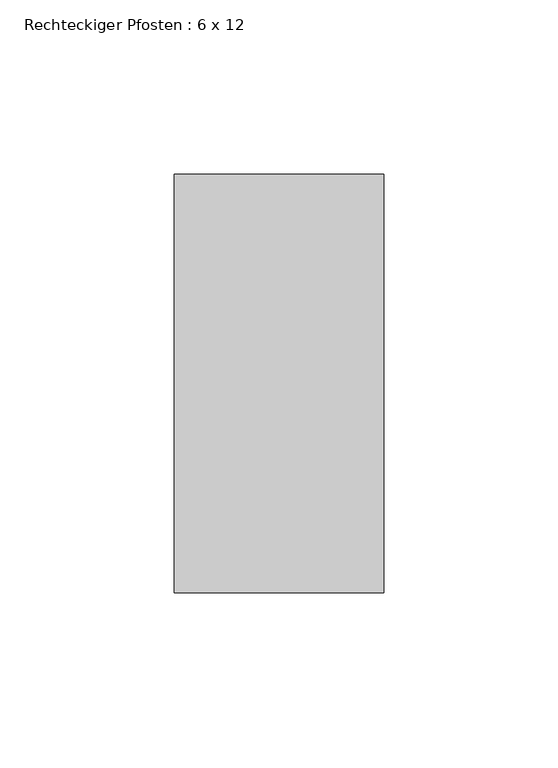
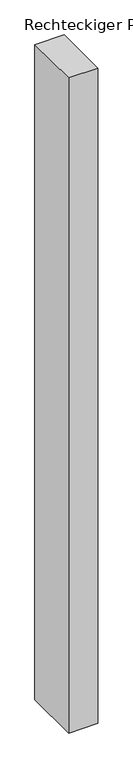
"""IFC4 building model written with IfcOpenShell, lengths in millimetres: member geometry, Rechteckiger Pfosten : 6 x 12."""

from ifc_helpers import new_model, si_unit, frame, origin, place, context, project, spatial, polyline, outline, extrude, source, transform, mapped, element, save


def rechteckiger_pfosten_6_x_12_fd41d232(model_context):
    return source(origin(), model_context, "Body", "SweptSolid", [
        extrude(outline(polyline([(0.0, 60.0), (0.0, -60.0), (-60.0, -60.0), (-60.0, 60.0), (0.0, 60.0)])), frame((0.0, 0.0, -1425.625), z_axis=(0.0, 0.0, 1.0), x_axis=(1.0, 0.0, 0.0)), (0.0, 0.0, 1.0), 1425.625),
    ])


if __name__ == "__main__":
    model = new_model("IFC4")
    model_context = context("Model", 3, world=origin())
    ifc_project = project(units=[si_unit("LENGTHUNIT", "METRE", prefix="MILLI")], contexts=[model_context])
    site = spatial("IfcSite", under=ifc_project)
    building = spatial("IfcBuilding", under=site)
    placement = place(None, origin())
    rechteckiger_pfosten_6_x_12_shape = rechteckiger_pfosten_6_x_12_fd41d232(model_context)
    element("IfcMember", 1, ObjectType="Rechteckiger Pfosten : 6 x 12", at=placement, inside=building, context=model_context, shape_type="MappedRepresentation", body=[
        mapped(rechteckiger_pfosten_6_x_12_shape, transform((0.0, 0.0, 0.0), x_axis=(1.0, 0.0, 0.0), y_axis=(0.0, 1.0, 0.0), z_axis=(0.0, 0.0, 1.0))),
    ])
    save(model, "model.ifc")
